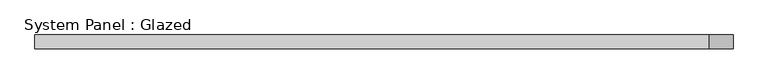
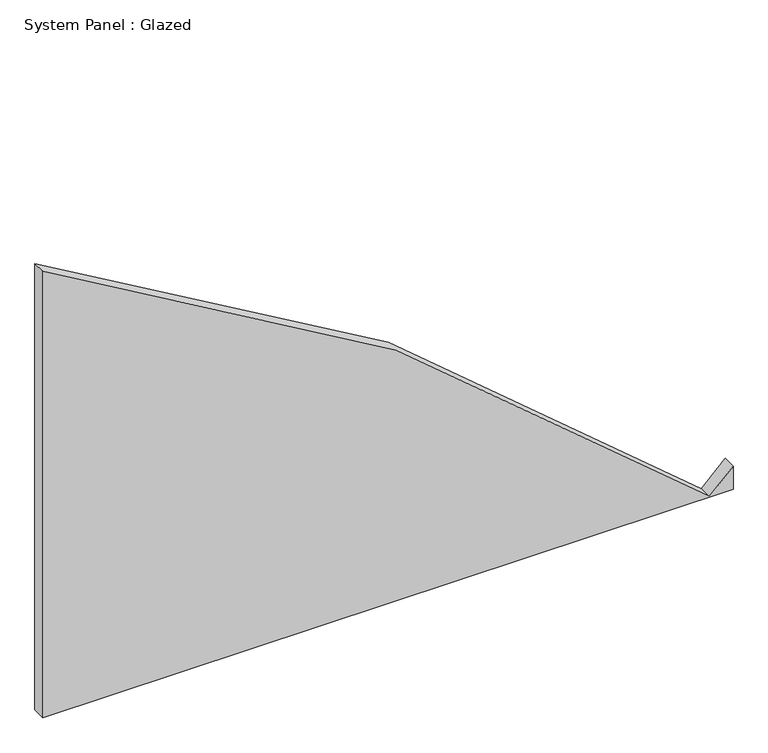
"""IFC4 building model written with IfcOpenShell, lengths in millimetres: plate geometry, System Panel : Glazed."""

from ifc_helpers import new_model, si_unit, point, frame, frame_2d, origin, place, context, project, spatial, polyline, circle_curve, trimmed, segment, composite_curve, outline, extrude, source, transform, mapped, element, save


def system_panel_glazed_f2087ad1(model_context):
    return source(origin(), model_context, "Body", "SweptSolid", [
        extrude(outline(composite_curve([segment(polyline([(0.0, -650.875), (0.0, 650.875), (45.9246629, 650.875), (1.1014037, 605.8958333)]), True, "CONTINUOUS"), segment(trimmed(circle_curve(frame_2d((-3181.35, -2587.625)), 4508.5), [point((1.1014037, 605.8958333))], [point((889.960807, -650.875))], False, "CARTESIAN"), True, "CONTINUOUS"), segment(polyline([(889.960807, -650.875), (0.0, -650.875)]), True, "CONTINUOUS")], self_intersect=False)), frame((0.0, 19.05, 0.0), z_axis=(0.0, 1.0, 0.0), x_axis=(0.0, 0.0, 1.0)), (0.0, 0.0, 1.0), 25.4),
    ])


if __name__ == "__main__":
    model = new_model("IFC4")
    model_context = context("Model", 3, world=origin())
    ifc_project = project(units=[si_unit("LENGTHUNIT", "METRE", prefix="MILLI")], contexts=[model_context])
    site = spatial("IfcSite", under=ifc_project)
    building = spatial("IfcBuilding", under=site)
    placement = place(None, origin())
    system_panel_glazed_shape = system_panel_glazed_f2087ad1(model_context)
    element("IfcPlate", 1, ObjectType="System Panel : Glazed", at=placement, inside=building, context=model_context, shape_type="MappedRepresentation", body=[
        mapped(system_panel_glazed_shape, transform((0.0, 0.0, 0.0), x_axis=(1.0, 0.0, 0.0), y_axis=(0.0, 1.0, 0.0), z_axis=(0.0, 0.0, 1.0))),
    ])
    save(model, "model.ifc")
